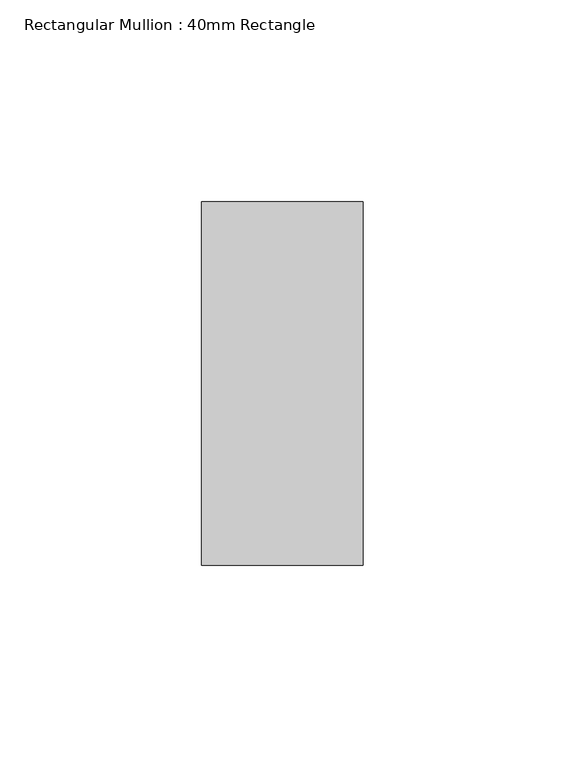
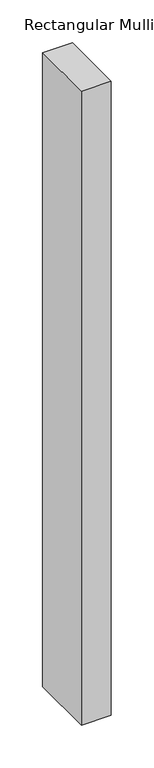
"""IFC4 building model written with IfcOpenShell, lengths in millimetres: member geometry, Rectangular Mullion : 40mm Rectangle."""

import ifcopenshell
import ifcopenshell.guid

model = None  # the IFC model being written
_history = None  # IfcOwnerHistory: only IFC2X3 demands one
_inside = {}  # id of a spatial element -> (the spatial element, [elements in it])
_under = {}  # id of a project, library or spatial element -> (it, [spatial elements below it])
_declared = {}  # id of a project -> (the project, [libraries it declares])
_typed = {}  # id of a type object -> (the type object, [elements of that type])
_made_of = {}  # id of a material, layer set ... -> (it, [elements and type objects made of it])


def new_model(schema):
    """Start an empty IFC model of exactly this schema.

    Asked for "IFC4X3", IfcOpenShell would pick the latest addendum, in which some entities
    have other attributes; the version numbers below select the first issue.
    IFC2X3 requires an IfcOwnerHistory on every rooted entity: one is made here for all.
    """
    global model, _history
    if schema == "IFC4X3":
        model = ifcopenshell.file(schema_version=(4, 3, 0, 0))
    else:
        model = ifcopenshell.file(schema=schema)
    _inside.clear()
    _under.clear()
    _declared.clear()
    _typed.clear()
    _made_of.clear()
    _history = None
    if model.schema == "IFC2X3":
        org = make("IfcOrganization", Name="unknown")
        user = make(
            "IfcPersonAndOrganization",
            ThePerson=make("IfcPerson", FamilyName="unknown"),
            TheOrganization=org,
        )
        app = make(
            "IfcApplication",
            ApplicationDeveloper=org,
            Version="unknown",
            ApplicationFullName="unknown",
            ApplicationIdentifier="unknown",
        )
        _history = make(
            "IfcOwnerHistory",
            OwningUser=user,
            OwningApplication=app,
            ChangeAction="ADDED",
            CreationDate=0,
        )
    return model


def make(cls, **values):
    """One entity of the class cls with the attributes given. An attribute that is None is left unset."""
    return model.create_entity(
        cls, **{name: value for name, value in values.items() if value is not None}
    )


def rooted(cls, **values):
    """An entity with a GlobalId (a new one), such as an element, a storey or a relation."""
    return make(cls, GlobalId=ifcopenshell.guid.new(), OwnerHistory=_history, **values)


def si_unit(unit_type, name, prefix=None):
    """IfcSIUnit, for example si_unit("LENGTHUNIT", "METRE", prefix="MILLI")."""
    return make("IfcSIUnit", UnitType=unit_type, Prefix=prefix, Name=name)


def assignment(units):
    """IfcUnitAssignment: the units of a project."""
    return None if units is None else make("IfcUnitAssignment", Units=units)


def point(xyz):
    """IfcCartesianPoint."""
    return None if xyz is None else make("IfcCartesianPoint", Coordinates=xyz)


def direction(xyz):
    """IfcDirection."""
    return None if xyz is None else make("IfcDirection", DirectionRatios=xyz)


def frame(location, z_axis=None, x_axis=None):
    """IfcAxis2Placement3D, a coordinate frame: its origin and axes. An axis left out is left unset."""
    return make(
        "IfcAxis2Placement3D",
        Location=point(location),
        Axis=direction(z_axis),
        RefDirection=direction(x_axis),
    )


def origin():
    """The frame at (0, 0, 0) with its axes left unset."""
    return frame((0.0, 0.0, 0.0))


def place(relative_to, where):
    """IfcLocalPlacement: puts the frame where relative to a parent placement (None: the world)."""
    return make(
        "IfcLocalPlacement", PlacementRelTo=relative_to, RelativePlacement=where
    )


def context(
    kind, dimensions, precision=None, world=None, true_north=None, identifier=None
):
    """IfcGeometricRepresentationContext, for example the 3D "Model" context."""
    return make(
        "IfcGeometricRepresentationContext",
        ContextIdentifier=identifier,
        ContextType=kind,
        CoordinateSpaceDimension=dimensions,
        Precision=precision,
        WorldCoordinateSystem=world,
        TrueNorth=true_north,
    )


def project(units=None, contexts=None):
    """IfcProject with its units and contexts."""
    return rooted(
        "IfcProject",
        Name="project",
        RepresentationContexts=contexts,
        UnitsInContext=assignment(units),
    )


def spatial(cls, under=None, at=None, **own):
    """A site, building, storey or space (cls), placed at a placement, below another one or the project."""
    s = rooted(cls, ObjectPlacement=at, **own)
    if under is not None:
        _under.setdefault(under.id(), (under, []))[1].append(s)
    return s


def polyline(points):
    """IfcPolyline through the points."""
    return make("IfcPolyline", Points=[point(p) for p in points])


def outline(outer, holes=None, kind="AREA"):
    """IfcArbitraryClosedProfileDef: a profile drawn as a closed curve; with holes, ...WithVoids."""
    if holes is None:
        return make("IfcArbitraryClosedProfileDef", ProfileType=kind, OuterCurve=outer)
    return make(
        "IfcArbitraryProfileDefWithVoids",
        ProfileType=kind,
        OuterCurve=outer,
        InnerCurves=holes,
    )


def extrude(swept, where, along, depth):
    """IfcExtrudedAreaSolid: the profile swept, set in the frame where, extruded along a direction by depth."""
    return make(
        "IfcExtrudedAreaSolid",
        SweptArea=swept,
        Position=where,
        ExtrudedDirection=direction(along),
        Depth=depth,
    )


def shape(context_of_items, identifier, shape_type, items):
    """IfcShapeRepresentation: the items that make up one representation, for example the "Body"."""
    return make(
        "IfcShapeRepresentation",
        ContextOfItems=context_of_items,
        RepresentationIdentifier=identifier,
        RepresentationType=shape_type,
        Items=items,
    )


def source(mapping_origin, context_of_items, identifier, shape_type, items):
    """IfcRepresentationMap: a shape defined once, which mapped items show again and again."""
    return make(
        "IfcRepresentationMap",
        MappingOrigin=mapping_origin,
        MappedRepresentation=shape(context_of_items, identifier, shape_type, items),
    )


def transform(
    local_origin,
    x_axis=None,
    y_axis=None,
    z_axis=None,
    scale=None,
    scale2=None,
    scale3=None,
    uniform=True,
):
    """IfcCartesianTransformationOperator3D, or its non-uniform kind. x_axis, y_axis, z_axis: its Axis1, 2, 3."""
    if uniform:
        return make(
            "IfcCartesianTransformationOperator3D",
            Axis1=direction(x_axis),
            Axis2=direction(y_axis),
            LocalOrigin=point(local_origin),
            Scale=scale,
            Axis3=direction(z_axis),
        )
    return make(
        "IfcCartesianTransformationOperator3DnonUniform",
        Axis1=direction(x_axis),
        Axis2=direction(y_axis),
        LocalOrigin=point(local_origin),
        Scale=scale,
        Axis3=direction(z_axis),
        Scale2=scale2,
        Scale3=scale3,
    )


def mapped(mapping_source, mapping_target):
    """IfcMappedItem: shows the shape of a source again, moved by a transform."""
    return make(
        "IfcMappedItem", MappingSource=mapping_source, MappingTarget=mapping_target
    )


def made_of(thing, what):
    """Note that an element or type object is made of a material, layer set ...; save() writes the relation."""
    if what is not None:
        _made_of.setdefault(what.id(), (what, []))[1].append(thing)
    return thing


def element(
    cls,
    number,
    at=None,
    inside=None,
    cuts=None,
    type_object=None,
    material=None,
    context=None,
    identifier="Body",
    shape_type=None,
    held_by="IfcProductDefinitionShape",
    body=None,
    shapes=None,
    **own,
):
    """One element of the class cls, such as IfcWall. Its Tag is "e" and its number.

    at: its placement. inside: the storey or other place that contains it. cuts: it is an
    opening in that element (IfcRelVoidsElement). A single representation is given by context,
    identifier, shape_type and body (its items); several are given by shapes. held_by: the class
    of the entity that holds the representations. save() writes the other relations.
    """
    e = rooted(cls, Tag="e%d" % number, ObjectPlacement=at, **own)
    if body is not None:
        shapes = [shape(context, identifier, shape_type, body)]
    if shapes is not None:
        e.Representation = make(held_by, Representations=shapes)
    if inside is not None:
        _inside.setdefault(inside.id(), (inside, []))[1].append(e)
    if cuts is not None:
        rooted(
            "IfcRelVoidsElement", RelatingBuildingElement=cuts, RelatedOpeningElement=e
        )
    if type_object is not None:
        _typed.setdefault(type_object.id(), (type_object, []))[1].append(e)
    return made_of(e, material)


def aggregate(whole, parts):
    """IfcRelAggregates: a whole, such as a stair, and the parts it consists of."""
    return rooted("IfcRelAggregates", RelatingObject=whole, RelatedObjects=parts)


def save(model, path):
    """Write the relations noted so far, then the file.

    IfcRelAggregates (storeys below a building ...), IfcRelContainedInSpatialStructure (elements
    in a storey), IfcRelDefinesByType, IfcRelAssociatesMaterial and IfcRelDeclares: one each for
    every whole, place, type object, material and project.
    """
    for whole, parts in _under.values():
        aggregate(whole, parts)
    for where, things in _inside.values():
        rooted(
            "IfcRelContainedInSpatialStructure",
            RelatedElements=things,
            RelatingStructure=where,
        )
    for kind, things in _typed.values():
        rooted("IfcRelDefinesByType", RelatedObjects=things, RelatingType=kind)
    for what, things in _made_of.values():
        rooted("IfcRelAssociatesMaterial", RelatedObjects=things, RelatingMaterial=what)
    for by, libraries in _declared.values():
        rooted("IfcRelDeclares", RelatingContext=by, RelatedDefinitions=libraries)
    model.write(path)


def rectangular_mullion_40mm_rectangle_600f3fb4(model_context):
    return source(origin(), model_context, "Body", "SweptSolid", [
        extrude(outline(polyline([(0.0, 45.0), (0.0, -45.0), (-40.0, -45.0), (-40.0, 45.0), (0.0, 45.0)])), frame((0.0, 0.0, -900.0), z_axis=(0.0, 0.0, 1.0), x_axis=(1.0, 0.0, 0.0)), (0.0, 0.0, 1.0), 900.0),
    ])


if __name__ == "__main__":
    model = new_model("IFC4")
    model_context = context("Model", 3, world=origin())
    ifc_project = project(units=[si_unit("LENGTHUNIT", "METRE", prefix="MILLI")], contexts=[model_context])
    site = spatial("IfcSite", under=ifc_project)
    building = spatial("IfcBuilding", under=site)
    placement = place(None, origin())
    rectangular_mullion_40mm_rectangle_shape = rectangular_mullion_40mm_rectangle_600f3fb4(model_context)
    element("IfcMember", 1, ObjectType="Rectangular Mullion : 40mm Rectangle", at=placement, inside=building, context=model_context, shape_type="MappedRepresentation", body=[
        mapped(rectangular_mullion_40mm_rectangle_shape, transform((0.0, 0.0, 0.0), x_axis=(1.0, 0.0, 0.0), y_axis=(0.0, 1.0, 0.0), z_axis=(0.0, 0.0, 1.0))),
    ])
    save(model, "model.ifc")
